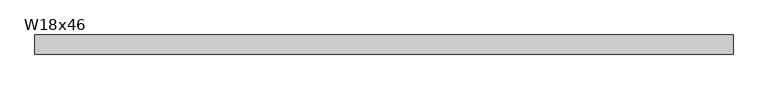
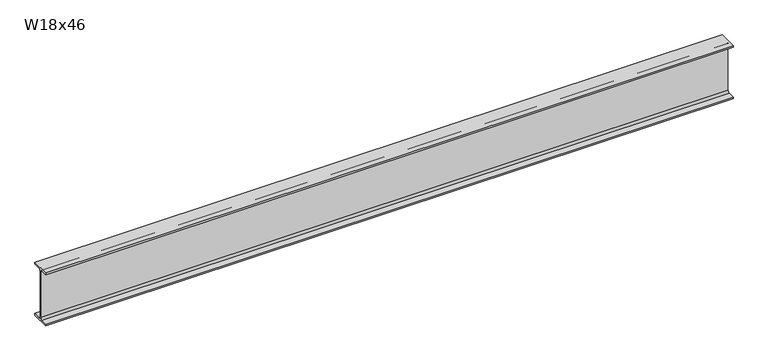
"""IFC4 building model written with IfcOpenShell, lengths in millimetres: beam geometry, W18x46."""

from ifc_helpers import new_model, si_unit, point, frame, frame_2d, origin, place, context, project, spatial, polyline, circle_curve, trimmed, segment, composite_curve, outline, extrude, source, transform, mapped, element, save


def w18x46_22ba7e45(model_context):
    return source(origin(), model_context, "Body", "SweptSolid", [
        extrude(outline(composite_curve([segment(polyline([(76.962, -214.503), (76.962, -229.87), (-76.962, -229.87), (-76.962, -214.503), (-20.955, -214.503)]), True, "CONTINUOUS"), segment(trimmed(circle_curve(frame_2d((-20.955, -198.12)), 16.383), [point((-20.955, -214.503))], [point((-4.572, -198.12))], True, "CARTESIAN"), True, "CONTINUOUS"), segment(polyline([(-4.572, -198.12), (-4.572, 198.12)]), True, "CONTINUOUS"), segment(trimmed(circle_curve(frame_2d((-20.955, 198.12)), 16.383), [point((-4.572, 198.12))], [point((-20.955, 214.503))], True, "CARTESIAN"), True, "CONTINUOUS"), segment(polyline([(-20.955, 214.503), (-76.962, 214.503), (-76.962, 229.87), (76.962, 229.87), (76.962, 214.503), (20.955, 214.503)]), True, "CONTINUOUS"), segment(trimmed(circle_curve(frame_2d((20.955, 198.12)), 16.383), [point((20.955, 214.503))], [point((4.572, 198.12))], True, "CARTESIAN"), True, "CONTINUOUS"), segment(polyline([(4.572, 198.12), (4.572, -198.12)]), True, "CONTINUOUS"), segment(trimmed(circle_curve(frame_2d((20.955, -198.12)), 16.383), [point((4.572, -198.12))], [point((20.955, -214.503))], True, "CARTESIAN"), True, "CONTINUOUS"), segment(polyline([(20.955, -214.503), (76.962, -214.503)]), True, "CONTINUOUS")], self_intersect=False)), frame((-2845.4754587, 0.0, 0.0), z_axis=(1.0, 0.0, 0.0), x_axis=(0.0, 1.0, 0.0)), (0.0, 0.0, 1.0), 5622.8550097),
    ])


if __name__ == "__main__":
    model = new_model("IFC4")
    model_context = context("Model", 3, world=origin())
    ifc_project = project(units=[si_unit("LENGTHUNIT", "METRE", prefix="MILLI")], contexts=[model_context])
    site = spatial("IfcSite", under=ifc_project)
    building = spatial("IfcBuilding", under=site)
    placement = place(None, origin())
    w18x46_shape = w18x46_22ba7e45(model_context)
    element("IfcBeam", 1, ObjectType="W18x46", at=placement, inside=building, context=model_context, shape_type="MappedRepresentation", body=[
        mapped(w18x46_shape, transform((0.0, 0.0, 0.0), x_axis=(1.0, 0.0, 0.0), y_axis=(0.0, 1.0, 0.0), z_axis=(0.0, 0.0, 1.0))),
    ])
    save(model, "model.ifc")
